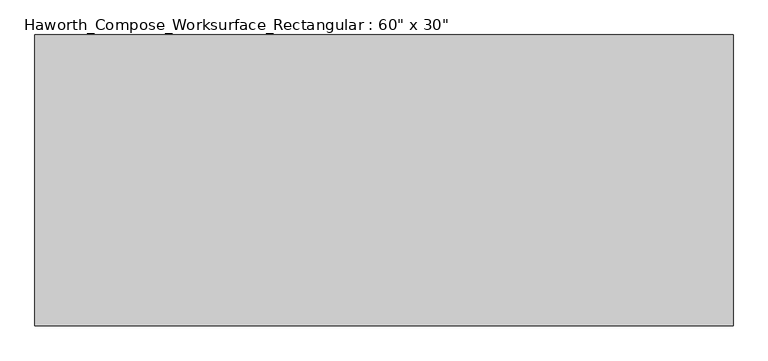
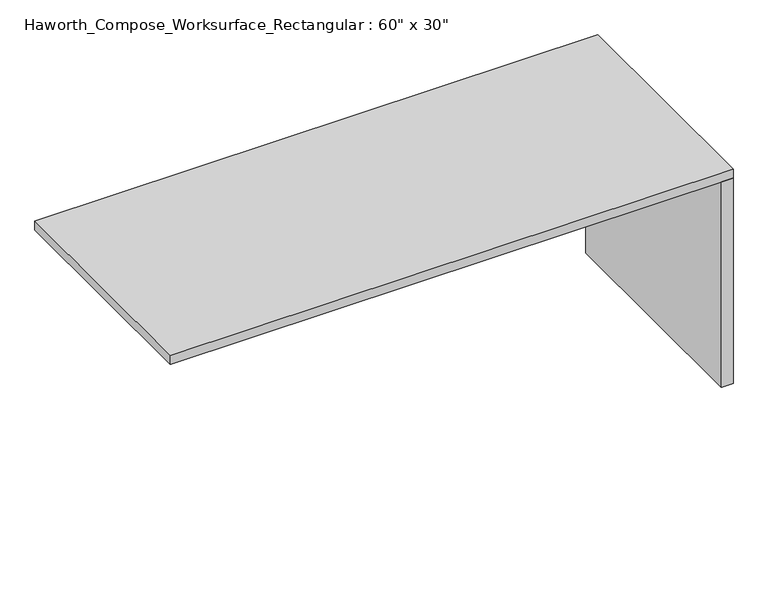
"""IFC4 building model written with IfcOpenShell, lengths in millimetres: furniture geometry."""

from ifc_helpers import new_model, si_unit, frame, origin, origin_with_axes, place, context, project, spatial, polyline, outline, extrude, source, transform, mapped, element, save


def furniture_65c0b467(model_context):
    return source(origin(), model_context, "Body", "SweptSolid", [
        extrude(outline(polyline([(914.4, -381.0), (876.3, -381.0), (876.3, 381.0), (914.4, 381.0), (914.4, -381.0)])), origin_with_axes(), (0.0, 0.0, 1.0), 706.4375),
        extrude(outline(polyline([(914.4, -381.0), (-914.4, -381.0), (-914.4, 381.0), (914.4, 381.0), (914.4, -381.0)])), frame((0.0, 0.0, 706.4375), z_axis=(0.0, 0.0, 1.0), x_axis=(1.0, 0.0, 0.0)), (0.0, 0.0, 1.0), 30.1625),
    ])


if __name__ == "__main__":
    model = new_model("IFC4")
    model_context = context("Model", 3, world=origin())
    ifc_project = project(units=[si_unit("LENGTHUNIT", "METRE", prefix="MILLI")], contexts=[model_context])
    site = spatial("IfcSite", under=ifc_project)
    building = spatial("IfcBuilding", under=site)
    placement = place(None, origin())
    furniture_shape = furniture_65c0b467(model_context)
    element("IfcFurniture", 1, ObjectType="Haworth_Compose_Worksurface_Rectangular : 60\" x 30\"", at=placement, inside=building, context=model_context, shape_type="MappedRepresentation", body=[
        mapped(furniture_shape, transform((0.0, 0.0, 0.0), x_axis=(1.0, 0.0, 0.0), y_axis=(0.0, 1.0, 0.0), z_axis=(0.0, 0.0, 1.0))),
    ])
    save(model, "model.ifc")
